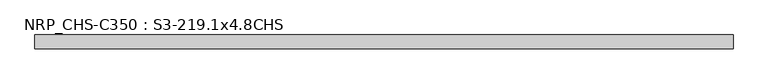
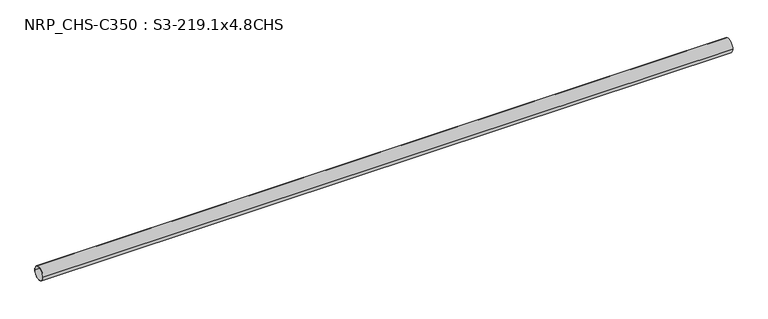
"""IFC4 building model written with IfcOpenShell, lengths in millimetres: beam geometry, NRP_CHS-C350 : S3-219.1x4.8CHS."""

import ifcopenshell
import ifcopenshell.guid

model = None  # the IFC model being written
_history = None  # IfcOwnerHistory: only IFC2X3 demands one
_inside = {}  # id of a spatial element -> (the spatial element, [elements in it])
_under = {}  # id of a project, library or spatial element -> (it, [spatial elements below it])
_declared = {}  # id of a project -> (the project, [libraries it declares])
_typed = {}  # id of a type object -> (the type object, [elements of that type])
_made_of = {}  # id of a material, layer set ... -> (it, [elements and type objects made of it])


def new_model(schema):
    """Start an empty IFC model of exactly this schema.

    Asked for "IFC4X3", IfcOpenShell would pick the latest addendum, in which some entities
    have other attributes; the version numbers below select the first issue.
    IFC2X3 requires an IfcOwnerHistory on every rooted entity: one is made here for all.
    """
    global model, _history
    if schema == "IFC4X3":
        model = ifcopenshell.file(schema_version=(4, 3, 0, 0))
    else:
        model = ifcopenshell.file(schema=schema)
    _inside.clear()
    _under.clear()
    _declared.clear()
    _typed.clear()
    _made_of.clear()
    _history = None
    if model.schema == "IFC2X3":
        org = make("IfcOrganization", Name="unknown")
        user = make(
            "IfcPersonAndOrganization",
            ThePerson=make("IfcPerson", FamilyName="unknown"),
            TheOrganization=org,
        )
        app = make(
            "IfcApplication",
            ApplicationDeveloper=org,
            Version="unknown",
            ApplicationFullName="unknown",
            ApplicationIdentifier="unknown",
        )
        _history = make(
            "IfcOwnerHistory",
            OwningUser=user,
            OwningApplication=app,
            ChangeAction="ADDED",
            CreationDate=0,
        )
    return model


def make(cls, **values):
    """One entity of the class cls with the attributes given. An attribute that is None is left unset."""
    return model.create_entity(
        cls, **{name: value for name, value in values.items() if value is not None}
    )


def rooted(cls, **values):
    """An entity with a GlobalId (a new one), such as an element, a storey or a relation."""
    return make(cls, GlobalId=ifcopenshell.guid.new(), OwnerHistory=_history, **values)


def si_unit(unit_type, name, prefix=None):
    """IfcSIUnit, for example si_unit("LENGTHUNIT", "METRE", prefix="MILLI")."""
    return make("IfcSIUnit", UnitType=unit_type, Prefix=prefix, Name=name)


def assignment(units):
    """IfcUnitAssignment: the units of a project."""
    return None if units is None else make("IfcUnitAssignment", Units=units)


def point(xyz):
    """IfcCartesianPoint."""
    return None if xyz is None else make("IfcCartesianPoint", Coordinates=xyz)


def direction(xyz):
    """IfcDirection."""
    return None if xyz is None else make("IfcDirection", DirectionRatios=xyz)


def frame(location, z_axis=None, x_axis=None):
    """IfcAxis2Placement3D, a coordinate frame: its origin and axes. An axis left out is left unset."""
    return make(
        "IfcAxis2Placement3D",
        Location=point(location),
        Axis=direction(z_axis),
        RefDirection=direction(x_axis),
    )


def frame_2d(location, x_axis=None):
    """IfcAxis2Placement2D, a coordinate frame in the plane: its origin and x axis."""
    return make(
        "IfcAxis2Placement2D", Location=point(location), RefDirection=direction(x_axis)
    )


def origin():
    """The frame at (0, 0, 0) with its axes left unset."""
    return frame((0.0, 0.0, 0.0))


def origin_2d():
    """The frame at (0, 0) in the plane with its x axis left unset."""
    return frame_2d((0.0, 0.0))


def place(relative_to, where):
    """IfcLocalPlacement: puts the frame where relative to a parent placement (None: the world)."""
    return make(
        "IfcLocalPlacement", PlacementRelTo=relative_to, RelativePlacement=where
    )


def context(
    kind, dimensions, precision=None, world=None, true_north=None, identifier=None
):
    """IfcGeometricRepresentationContext, for example the 3D "Model" context."""
    return make(
        "IfcGeometricRepresentationContext",
        ContextIdentifier=identifier,
        ContextType=kind,
        CoordinateSpaceDimension=dimensions,
        Precision=precision,
        WorldCoordinateSystem=world,
        TrueNorth=true_north,
    )


def project(units=None, contexts=None):
    """IfcProject with its units and contexts."""
    return rooted(
        "IfcProject",
        Name="project",
        RepresentationContexts=contexts,
        UnitsInContext=assignment(units),
    )


def spatial(cls, under=None, at=None, **own):
    """A site, building, storey or space (cls), placed at a placement, below another one or the project."""
    s = rooted(cls, ObjectPlacement=at, **own)
    if under is not None:
        _under.setdefault(under.id(), (under, []))[1].append(s)
    return s


def circle_curve(where, radius):
    """IfcCircle in the frame where."""
    return make("IfcCircle", Position=where, Radius=radius)


def trimmed(basis, trim1, trim2, sense, master):
    """IfcTrimmedCurve: the piece of a basis curve between two trims."""
    return make(
        "IfcTrimmedCurve",
        BasisCurve=basis,
        Trim1=trim1,
        Trim2=trim2,
        SenseAgreement=sense,
        MasterRepresentation=master,
    )


def segment(curve, same_sense, transition):
    """IfcCompositeCurveSegment."""
    return make(
        "IfcCompositeCurveSegment",
        Transition=transition,
        SameSense=same_sense,
        ParentCurve=curve,
    )


def composite_curve(segments, self_intersect=None):
    """IfcCompositeCurve: segments joined end to end."""
    return make("IfcCompositeCurve", Segments=segments, SelfIntersect=self_intersect)


def outline(outer, holes=None, kind="AREA"):
    """IfcArbitraryClosedProfileDef: a profile drawn as a closed curve; with holes, ...WithVoids."""
    if holes is None:
        return make("IfcArbitraryClosedProfileDef", ProfileType=kind, OuterCurve=outer)
    return make(
        "IfcArbitraryProfileDefWithVoids",
        ProfileType=kind,
        OuterCurve=outer,
        InnerCurves=holes,
    )


def extrude(swept, where, along, depth):
    """IfcExtrudedAreaSolid: the profile swept, set in the frame where, extruded along a direction by depth."""
    return make(
        "IfcExtrudedAreaSolid",
        SweptArea=swept,
        Position=where,
        ExtrudedDirection=direction(along),
        Depth=depth,
    )


def shape(context_of_items, identifier, shape_type, items):
    """IfcShapeRepresentation: the items that make up one representation, for example the "Body"."""
    return make(
        "IfcShapeRepresentation",
        ContextOfItems=context_of_items,
        RepresentationIdentifier=identifier,
        RepresentationType=shape_type,
        Items=items,
    )


def source(mapping_origin, context_of_items, identifier, shape_type, items):
    """IfcRepresentationMap: a shape defined once, which mapped items show again and again."""
    return make(
        "IfcRepresentationMap",
        MappingOrigin=mapping_origin,
        MappedRepresentation=shape(context_of_items, identifier, shape_type, items),
    )


def transform(
    local_origin,
    x_axis=None,
    y_axis=None,
    z_axis=None,
    scale=None,
    scale2=None,
    scale3=None,
    uniform=True,
):
    """IfcCartesianTransformationOperator3D, or its non-uniform kind. x_axis, y_axis, z_axis: its Axis1, 2, 3."""
    if uniform:
        return make(
            "IfcCartesianTransformationOperator3D",
            Axis1=direction(x_axis),
            Axis2=direction(y_axis),
            LocalOrigin=point(local_origin),
            Scale=scale,
            Axis3=direction(z_axis),
        )
    return make(
        "IfcCartesianTransformationOperator3DnonUniform",
        Axis1=direction(x_axis),
        Axis2=direction(y_axis),
        LocalOrigin=point(local_origin),
        Scale=scale,
        Axis3=direction(z_axis),
        Scale2=scale2,
        Scale3=scale3,
    )


def mapped(mapping_source, mapping_target):
    """IfcMappedItem: shows the shape of a source again, moved by a transform."""
    return make(
        "IfcMappedItem", MappingSource=mapping_source, MappingTarget=mapping_target
    )


def made_of(thing, what):
    """Note that an element or type object is made of a material, layer set ...; save() writes the relation."""
    if what is not None:
        _made_of.setdefault(what.id(), (what, []))[1].append(thing)
    return thing


def element(
    cls,
    number,
    at=None,
    inside=None,
    cuts=None,
    type_object=None,
    material=None,
    context=None,
    identifier="Body",
    shape_type=None,
    held_by="IfcProductDefinitionShape",
    body=None,
    shapes=None,
    **own,
):
    """One element of the class cls, such as IfcWall. Its Tag is "e" and its number.

    at: its placement. inside: the storey or other place that contains it. cuts: it is an
    opening in that element (IfcRelVoidsElement). A single representation is given by context,
    identifier, shape_type and body (its items); several are given by shapes. held_by: the class
    of the entity that holds the representations. save() writes the other relations.
    """
    e = rooted(cls, Tag="e%d" % number, ObjectPlacement=at, **own)
    if body is not None:
        shapes = [shape(context, identifier, shape_type, body)]
    if shapes is not None:
        e.Representation = make(held_by, Representations=shapes)
    if inside is not None:
        _inside.setdefault(inside.id(), (inside, []))[1].append(e)
    if cuts is not None:
        rooted(
            "IfcRelVoidsElement", RelatingBuildingElement=cuts, RelatedOpeningElement=e
        )
    if type_object is not None:
        _typed.setdefault(type_object.id(), (type_object, []))[1].append(e)
    return made_of(e, material)


def aggregate(whole, parts):
    """IfcRelAggregates: a whole, such as a stair, and the parts it consists of."""
    return rooted("IfcRelAggregates", RelatingObject=whole, RelatedObjects=parts)


def save(model, path):
    """Write the relations noted so far, then the file.

    IfcRelAggregates (storeys below a building ...), IfcRelContainedInSpatialStructure (elements
    in a storey), IfcRelDefinesByType, IfcRelAssociatesMaterial and IfcRelDeclares: one each for
    every whole, place, type object, material and project.
    """
    for whole, parts in _under.values():
        aggregate(whole, parts)
    for where, things in _inside.values():
        rooted(
            "IfcRelContainedInSpatialStructure",
            RelatedElements=things,
            RelatingStructure=where,
        )
    for kind, things in _typed.values():
        rooted("IfcRelDefinesByType", RelatedObjects=things, RelatingType=kind)
    for what, things in _made_of.values():
        rooted("IfcRelAssociatesMaterial", RelatedObjects=things, RelatingMaterial=what)
    for by, libraries in _declared.values():
        rooted("IfcRelDeclares", RelatingContext=by, RelatedDefinitions=libraries)
    model.write(path)


def nrp_chs_c350_s3_219_1x4_8chs_f5b8df96(model_context):
    return source(origin(), model_context, "Body", "SweptSolid", [
        extrude(outline(composite_curve([segment(trimmed(circle_curve(origin_2d(), 109.55), [point((109.55, 0.0))], [point((-109.55, 0.0))], False, "CARTESIAN"), True, "CONTINUOUS"), segment(trimmed(circle_curve(origin_2d(), 109.55), [point((-109.55, 0.0))], [point((109.55, 0.0))], False, "CARTESIAN"), True, "CONTINUOUS")], self_intersect=False), holes=[composite_curve([segment(trimmed(circle_curve(origin_2d(), 104.75), [point((-104.75, 0.0))], [point((104.75, 0.0))], True, "CARTESIAN"), True, "CONTINUOUS"), segment(trimmed(circle_curve(origin_2d(), 104.75), [point((104.75, 0.0))], [point((-104.75, 0.0))], True, "CARTESIAN"), True, "CONTINUOUS")], self_intersect=False)]), frame((-5512.3, 0.0, 0.0), z_axis=(1.0, 0.0, 0.0), x_axis=(0.0, 1.0, 0.0)), (0.0, 0.0, 1.0), 11024.6),
    ])


if __name__ == "__main__":
    model = new_model("IFC4")
    model_context = context("Model", 3, world=origin())
    ifc_project = project(units=[si_unit("LENGTHUNIT", "METRE", prefix="MILLI")], contexts=[model_context])
    site = spatial("IfcSite", under=ifc_project)
    building = spatial("IfcBuilding", under=site)
    placement = place(None, origin())
    nrp_chs_c350_s3_219_1x4_8chs_shape = nrp_chs_c350_s3_219_1x4_8chs_f5b8df96(model_context)
    element("IfcBeam", 1, ObjectType="NRP_CHS-C350 : S3-219.1x4.8CHS", at=placement, inside=building, context=model_context, shape_type="MappedRepresentation", body=[
        mapped(nrp_chs_c350_s3_219_1x4_8chs_shape, transform((0.0, 0.0, 0.0), x_axis=(1.0, 0.0, 0.0), y_axis=(0.0, 1.0, 0.0), z_axis=(0.0, 0.0, 1.0))),
    ])
    save(model, "model.ifc")
